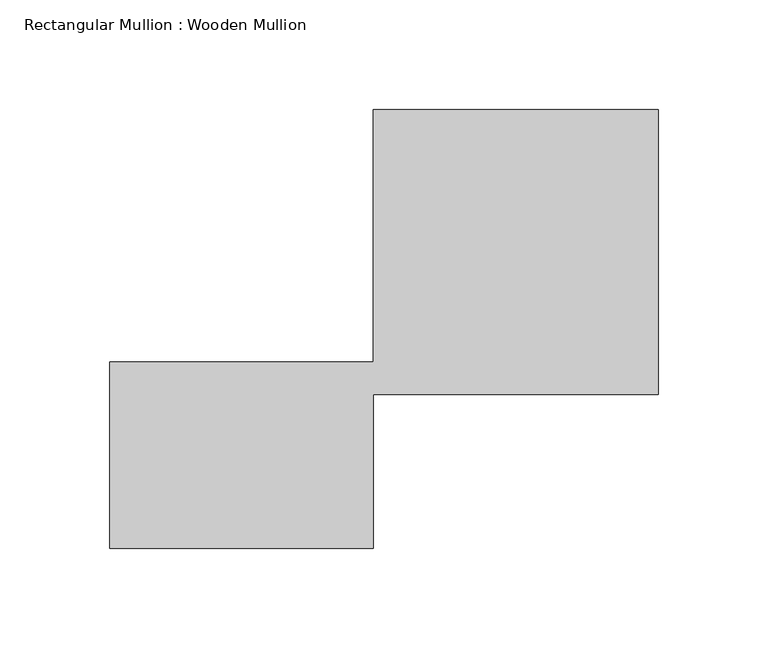
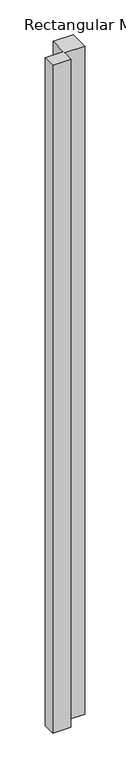
"""IFC4 building model written with IfcOpenShell, lengths in millimetres: member geometry, Rectangular Mullion : Wooden Mullion."""

from ifc_helpers import new_model, si_unit, frame, origin, place, context, project, spatial, polyline, outline, extrude, source, transform, mapped, element, save


def rectangular_mullion_wooden_mullion_413e39b1(model_context):
    return source(origin(), model_context, "Body", "SweptSolid", [
        extrude(outline(polyline([(74.8100006, -26.0137344), (-45.1899994, -26.0137344), (-45.1899994, 58.9862656), (74.8100006, 58.9862656), (74.8100006, 173.9862656), (204.8100006, 173.9862656), (204.8100006, 43.9862656), (74.8100006, 43.9862656), (74.8100006, -26.0137344)])), frame((0.0, 0.0, -4615.9027821), z_axis=(0.0, 0.0, 1.0), x_axis=(1.0, 0.0, 0.0)), (0.0, 0.0, 1.0), 4615.9027821),
    ])


if __name__ == "__main__":
    model = new_model("IFC4")
    model_context = context("Model", 3, world=origin())
    ifc_project = project(units=[si_unit("LENGTHUNIT", "METRE", prefix="MILLI")], contexts=[model_context])
    site = spatial("IfcSite", under=ifc_project)
    building = spatial("IfcBuilding", under=site)
    placement = place(None, origin())
    rectangular_mullion_wooden_mullion_shape = rectangular_mullion_wooden_mullion_413e39b1(model_context)
    element("IfcMember", 1, ObjectType="Rectangular Mullion : Wooden Mullion", at=placement, inside=building, context=model_context, shape_type="MappedRepresentation", body=[
        mapped(rectangular_mullion_wooden_mullion_shape, transform((0.0, 0.0, 0.0), x_axis=(1.0, 0.0, 0.0), y_axis=(0.0, 1.0, 0.0), z_axis=(0.0, 0.0, 1.0))),
    ])
    save(model, "model.ifc")
